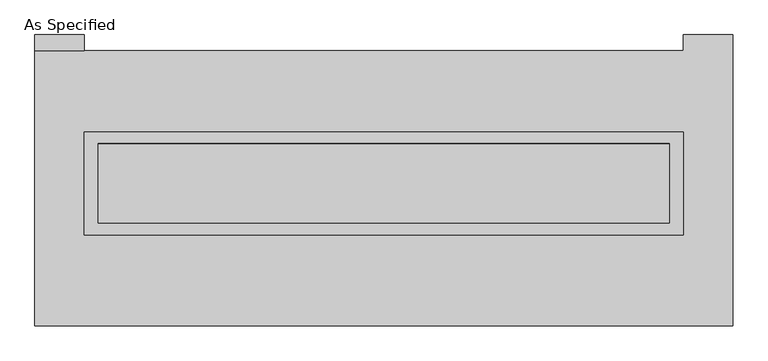
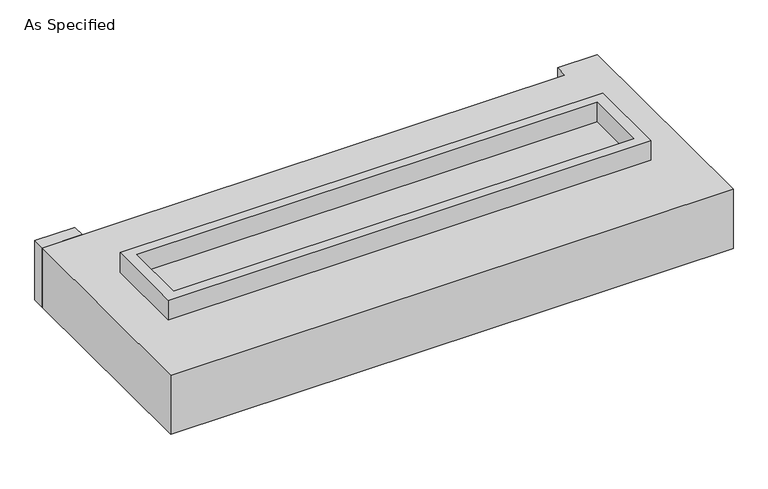
"""IFC4 building model written with IfcOpenShell, lengths in millimetres: proxy geometry, As Specified."""

from ifc_helpers import new_model, si_unit, frame, origin, place, context, project, spatial, polyline, outline, extrude, source, transform, mapped, element, save


def as_specified_d8558569(model_context):
    return source(origin(), model_context, "Body", "SweptSolid", [
        extrude(outline(polyline([(1917.7, 361.95), (1917.7, -298.45), (-1917.7, -298.45), (-1917.7, 361.95), (1917.7, 361.95)]), holes=[polyline([(1828.8, 285.75), (-1828.8, 285.75), (-1828.8, -222.25), (1828.8, -222.25), (1828.8, 285.75)])]), frame((0.0, 0.0, -688.975), z_axis=(0.0, 0.0, 1.0), x_axis=(1.0, 0.0, 0.0)), (0.0, 0.0, 1.0), 165.1),
        extrude(outline(polyline([(1917.7, 361.95), (1917.7, -298.45), (-1917.7, -298.45), (-1917.7, 361.95), (1917.7, 361.95)]), holes=[polyline([(1828.8, 285.75), (-1828.8, 285.75), (-1828.8, -222.25), (1828.8, -222.25), (1828.8, 285.75)])]), frame((0.0, 0.0, -25.4), z_axis=(0.0, 0.0, 1.0), x_axis=(1.0, 0.0, 0.0)), (0.0, 0.0, 1.0), 165.1),
        extrude(outline(polyline([(-1917.7, 882.65), (-2235.2, 882.65), (-2235.2, 984.25), (-1917.7, 984.25), (-1917.7, 882.65)])), frame((0.0, 0.0, -523.875), z_axis=(0.0, 0.0, 1.0), x_axis=(1.0, 0.0, 0.0)), (0.0, 0.0, 1.0), 498.475),
        extrude(outline(polyline([(1828.8, 285.75), (1828.8, -222.25), (-1828.8, -222.25), (-1828.8, 285.75), (1828.8, 285.75)])), frame((0.0, 0.0, -523.875), z_axis=(0.0, 0.0, 1.0), x_axis=(1.0, 0.0, 0.0)), (0.0, 0.0, 1.0), 4.9609375),
        extrude(outline(polyline([(1828.8, 285.75), (1828.8, -222.25), (-1828.8, -222.25), (-1828.8, 285.75), (1828.8, 285.75)])), frame((0.0, 0.0, -30.3609375), z_axis=(0.0, 0.0, 1.0), x_axis=(1.0, 0.0, 0.0)), (0.0, 0.0, 1.0), 4.9609375),
        extrude(outline(polyline([(2235.2, -882.65), (-2235.2, -882.65), (-2235.2, 882.65), (1917.7, 882.65), (1917.7, 984.25), (2235.2, 984.25), (2235.2, -882.65)]), holes=[polyline([(-1917.7, 361.95), (-1917.7, -298.45), (1917.7, -298.45), (1917.7, 361.95), (-1917.7, 361.95)])]), frame((0.0, 0.0, -523.875), z_axis=(0.0, 0.0, 1.0), x_axis=(1.0, 0.0, 0.0)), (0.0, 0.0, 1.0), 498.475),
    ])


if __name__ == "__main__":
    model = new_model("IFC4")
    model_context = context("Model", 3, world=origin())
    ifc_project = project(units=[si_unit("LENGTHUNIT", "METRE", prefix="MILLI")], contexts=[model_context])
    site = spatial("IfcSite", under=ifc_project)
    building = spatial("IfcBuilding", under=site)
    placement = place(None, origin())
    as_specified_shape = as_specified_d8558569(model_context)
    element("IfcBuildingElementProxy", 1, Name="As Specified", ObjectType="As Specified", at=placement, inside=building, context=model_context, shape_type="MappedRepresentation", body=[
        mapped(as_specified_shape, transform((0.0, 0.0, 0.0), x_axis=(1.0, 0.0, 0.0), y_axis=(0.0, 1.0, 0.0), z_axis=(0.0, 0.0, 1.0))),
    ])
    save(model, "model.ifc")
